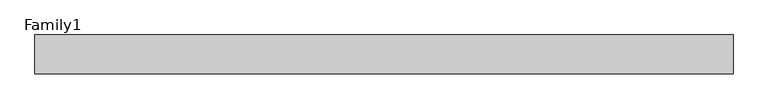
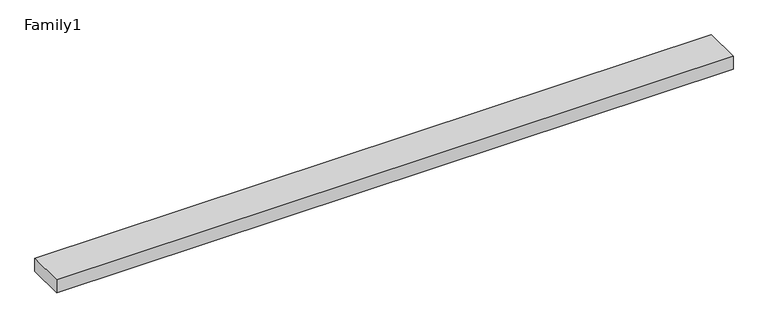
"""IFC4 building model written with IfcOpenShell, lengths in millimetres: proxy geometry, Family1."""

from ifc_helpers import new_model, si_unit, origin, origin_with_axes, place, context, project, spatial, polyline, outline, extrude, source, transform, mapped, element, save


def family1_1075f298(model_context):
    return source(origin(), model_context, "Body", "SweptSolid", [
        extrude(outline(polyline([(90000.0, 0.0), (0.0, 0.0), (0.0, 5000.0), (90000.0, 5000.0), (90000.0, 0.0)])), origin_with_axes(), (0.0, 0.0, 1.0), 1789.0),
    ])


if __name__ == "__main__":
    model = new_model("IFC4")
    model_context = context("Model", 3, world=origin())
    ifc_project = project(units=[si_unit("LENGTHUNIT", "METRE", prefix="MILLI")], contexts=[model_context])
    site = spatial("IfcSite", under=ifc_project)
    building = spatial("IfcBuilding", under=site)
    placement = place(None, origin())
    family1_shape = family1_1075f298(model_context)
    element("IfcBuildingElementProxy", 1, Name="Family1", ObjectType="Family1", at=placement, inside=building, context=model_context, shape_type="MappedRepresentation", body=[
        mapped(family1_shape, transform((0.0, 0.0, 0.0), x_axis=(1.0, 0.0, 0.0), y_axis=(0.0, 1.0, 0.0), z_axis=(0.0, 0.0, 1.0))),
    ])
    save(model, "model.ifc")
